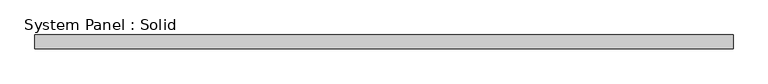
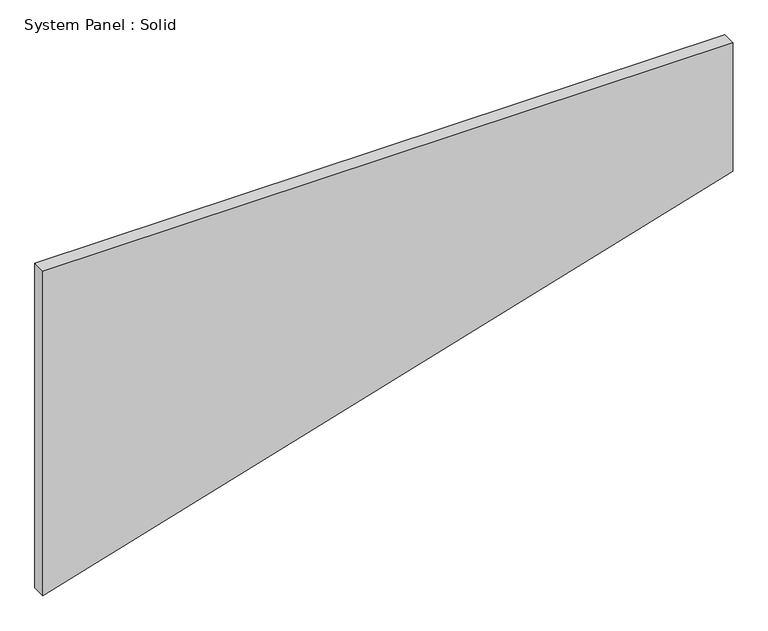
"""IFC4 building model written with IfcOpenShell, lengths in millimetres: plate geometry, System Panel : Solid."""

from ifc_helpers import new_model, si_unit, frame, origin, place, context, project, spatial, polyline, outline, extrude, source, transform, mapped, element, save


def system_panel_solid_c3acf6b3(model_context):
    return source(origin(), model_context, "Body", "SweptSolid", [
        extrude(outline(polyline([(0.0, -1500.0), (901.7511009, 1500.0), (1491.2444952, 1500.0), (1491.2444952, -1500.0), (0.0, -1500.0)])), frame((0.0, -10.5, 0.0), z_axis=(0.0, 1.0, 0.0), x_axis=(0.0, 0.0, 1.0)), (0.0, 0.0, 1.0), 60.0),
    ])


if __name__ == "__main__":
    model = new_model("IFC4")
    model_context = context("Model", 3, world=origin())
    ifc_project = project(units=[si_unit("LENGTHUNIT", "METRE", prefix="MILLI")], contexts=[model_context])
    site = spatial("IfcSite", under=ifc_project)
    building = spatial("IfcBuilding", under=site)
    placement = place(None, origin())
    system_panel_solid_shape = system_panel_solid_c3acf6b3(model_context)
    element("IfcPlate", 1, ObjectType="System Panel : Solid", at=placement, inside=building, context=model_context, shape_type="MappedRepresentation", body=[
        mapped(system_panel_solid_shape, transform((0.0, 0.0, 0.0), x_axis=(1.0, 0.0, 0.0), y_axis=(0.0, 1.0, 0.0), z_axis=(0.0, 0.0, 1.0))),
    ])
    save(model, "model.ifc")
